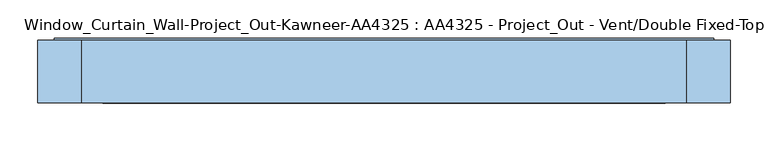
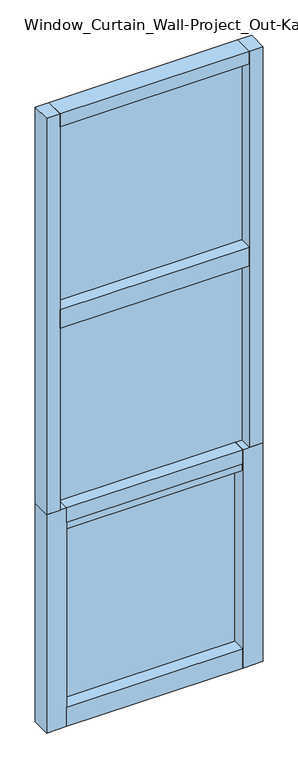
"""IFC4 building model written with IfcOpenShell, lengths in millimetres: window geometry, Window_Curtain_Wall-Project_Out-Kawneer-AA4325 : AA4325 - Project_Out - Vent/Double Fixed-Top."""

import ifcopenshell
import ifcopenshell.guid

model = None  # the IFC model being written
_history = None  # IfcOwnerHistory: only IFC2X3 demands one
_inside = {}  # id of a spatial element -> (the spatial element, [elements in it])
_under = {}  # id of a project, library or spatial element -> (it, [spatial elements below it])
_declared = {}  # id of a project -> (the project, [libraries it declares])
_typed = {}  # id of a type object -> (the type object, [elements of that type])
_made_of = {}  # id of a material, layer set ... -> (it, [elements and type objects made of it])


def new_model(schema):
    """Start an empty IFC model of exactly this schema.

    Asked for "IFC4X3", IfcOpenShell would pick the latest addendum, in which some entities
    have other attributes; the version numbers below select the first issue.
    IFC2X3 requires an IfcOwnerHistory on every rooted entity: one is made here for all.
    """
    global model, _history
    if schema == "IFC4X3":
        model = ifcopenshell.file(schema_version=(4, 3, 0, 0))
    else:
        model = ifcopenshell.file(schema=schema)
    _inside.clear()
    _under.clear()
    _declared.clear()
    _typed.clear()
    _made_of.clear()
    _history = None
    if model.schema == "IFC2X3":
        org = make("IfcOrganization", Name="unknown")
        user = make(
            "IfcPersonAndOrganization",
            ThePerson=make("IfcPerson", FamilyName="unknown"),
            TheOrganization=org,
        )
        app = make(
            "IfcApplication",
            ApplicationDeveloper=org,
            Version="unknown",
            ApplicationFullName="unknown",
            ApplicationIdentifier="unknown",
        )
        _history = make(
            "IfcOwnerHistory",
            OwningUser=user,
            OwningApplication=app,
            ChangeAction="ADDED",
            CreationDate=0,
        )
    return model


def make(cls, **values):
    """One entity of the class cls with the attributes given. An attribute that is None is left unset."""
    return model.create_entity(
        cls, **{name: value for name, value in values.items() if value is not None}
    )


def rooted(cls, **values):
    """An entity with a GlobalId (a new one), such as an element, a storey or a relation."""
    return make(cls, GlobalId=ifcopenshell.guid.new(), OwnerHistory=_history, **values)


def si_unit(unit_type, name, prefix=None):
    """IfcSIUnit, for example si_unit("LENGTHUNIT", "METRE", prefix="MILLI")."""
    return make("IfcSIUnit", UnitType=unit_type, Prefix=prefix, Name=name)


def assignment(units):
    """IfcUnitAssignment: the units of a project."""
    return None if units is None else make("IfcUnitAssignment", Units=units)


def point(xyz):
    """IfcCartesianPoint."""
    return None if xyz is None else make("IfcCartesianPoint", Coordinates=xyz)


def direction(xyz):
    """IfcDirection."""
    return None if xyz is None else make("IfcDirection", DirectionRatios=xyz)


def frame(location, z_axis=None, x_axis=None):
    """IfcAxis2Placement3D, a coordinate frame: its origin and axes. An axis left out is left unset."""
    return make(
        "IfcAxis2Placement3D",
        Location=point(location),
        Axis=direction(z_axis),
        RefDirection=direction(x_axis),
    )


def origin():
    """The frame at (0, 0, 0) with its axes left unset."""
    return frame((0.0, 0.0, 0.0))


def origin_with_axes():
    """The frame at (0, 0, 0) with the z axis (0, 0, 1) and the x axis (1, 0, 0) written out."""
    return frame((0.0, 0.0, 0.0), z_axis=(0.0, 0.0, 1.0), x_axis=(1.0, 0.0, 0.0))


def place(relative_to, where):
    """IfcLocalPlacement: puts the frame where relative to a parent placement (None: the world)."""
    return make(
        "IfcLocalPlacement", PlacementRelTo=relative_to, RelativePlacement=where
    )


def context(
    kind, dimensions, precision=None, world=None, true_north=None, identifier=None
):
    """IfcGeometricRepresentationContext, for example the 3D "Model" context."""
    return make(
        "IfcGeometricRepresentationContext",
        ContextIdentifier=identifier,
        ContextType=kind,
        CoordinateSpaceDimension=dimensions,
        Precision=precision,
        WorldCoordinateSystem=world,
        TrueNorth=true_north,
    )


def project(units=None, contexts=None):
    """IfcProject with its units and contexts."""
    return rooted(
        "IfcProject",
        Name="project",
        RepresentationContexts=contexts,
        UnitsInContext=assignment(units),
    )


def spatial(cls, under=None, at=None, **own):
    """A site, building, storey or space (cls), placed at a placement, below another one or the project."""
    s = rooted(cls, ObjectPlacement=at, **own)
    if under is not None:
        _under.setdefault(under.id(), (under, []))[1].append(s)
    return s


def polyline(points):
    """IfcPolyline through the points."""
    return make("IfcPolyline", Points=[point(p) for p in points])


def outline(outer, holes=None, kind="AREA"):
    """IfcArbitraryClosedProfileDef: a profile drawn as a closed curve; with holes, ...WithVoids."""
    if holes is None:
        return make("IfcArbitraryClosedProfileDef", ProfileType=kind, OuterCurve=outer)
    return make(
        "IfcArbitraryProfileDefWithVoids",
        ProfileType=kind,
        OuterCurve=outer,
        InnerCurves=holes,
    )


def extrude(swept, where, along, depth):
    """IfcExtrudedAreaSolid: the profile swept, set in the frame where, extruded along a direction by depth."""
    return make(
        "IfcExtrudedAreaSolid",
        SweptArea=swept,
        Position=where,
        ExtrudedDirection=direction(along),
        Depth=depth,
    )


def shape(context_of_items, identifier, shape_type, items):
    """IfcShapeRepresentation: the items that make up one representation, for example the "Body"."""
    return make(
        "IfcShapeRepresentation",
        ContextOfItems=context_of_items,
        RepresentationIdentifier=identifier,
        RepresentationType=shape_type,
        Items=items,
    )


def source(mapping_origin, context_of_items, identifier, shape_type, items):
    """IfcRepresentationMap: a shape defined once, which mapped items show again and again."""
    return make(
        "IfcRepresentationMap",
        MappingOrigin=mapping_origin,
        MappedRepresentation=shape(context_of_items, identifier, shape_type, items),
    )


def transform(
    local_origin,
    x_axis=None,
    y_axis=None,
    z_axis=None,
    scale=None,
    scale2=None,
    scale3=None,
    uniform=True,
):
    """IfcCartesianTransformationOperator3D, or its non-uniform kind. x_axis, y_axis, z_axis: its Axis1, 2, 3."""
    if uniform:
        return make(
            "IfcCartesianTransformationOperator3D",
            Axis1=direction(x_axis),
            Axis2=direction(y_axis),
            LocalOrigin=point(local_origin),
            Scale=scale,
            Axis3=direction(z_axis),
        )
    return make(
        "IfcCartesianTransformationOperator3DnonUniform",
        Axis1=direction(x_axis),
        Axis2=direction(y_axis),
        LocalOrigin=point(local_origin),
        Scale=scale,
        Axis3=direction(z_axis),
        Scale2=scale2,
        Scale3=scale3,
    )


def mapped(mapping_source, mapping_target):
    """IfcMappedItem: shows the shape of a source again, moved by a transform."""
    return make(
        "IfcMappedItem", MappingSource=mapping_source, MappingTarget=mapping_target
    )


def made_of(thing, what):
    """Note that an element or type object is made of a material, layer set ...; save() writes the relation."""
    if what is not None:
        _made_of.setdefault(what.id(), (what, []))[1].append(thing)
    return thing


def element(
    cls,
    number,
    at=None,
    inside=None,
    cuts=None,
    type_object=None,
    material=None,
    context=None,
    identifier="Body",
    shape_type=None,
    held_by="IfcProductDefinitionShape",
    body=None,
    shapes=None,
    **own,
):
    """One element of the class cls, such as IfcWall. Its Tag is "e" and its number.

    at: its placement. inside: the storey or other place that contains it. cuts: it is an
    opening in that element (IfcRelVoidsElement). A single representation is given by context,
    identifier, shape_type and body (its items); several are given by shapes. held_by: the class
    of the entity that holds the representations. save() writes the other relations.
    """
    e = rooted(cls, Tag="e%d" % number, ObjectPlacement=at, **own)
    if body is not None:
        shapes = [shape(context, identifier, shape_type, body)]
    if shapes is not None:
        e.Representation = make(held_by, Representations=shapes)
    if inside is not None:
        _inside.setdefault(inside.id(), (inside, []))[1].append(e)
    if cuts is not None:
        rooted(
            "IfcRelVoidsElement", RelatingBuildingElement=cuts, RelatedOpeningElement=e
        )
    if type_object is not None:
        _typed.setdefault(type_object.id(), (type_object, []))[1].append(e)
    return made_of(e, material)


def aggregate(whole, parts):
    """IfcRelAggregates: a whole, such as a stair, and the parts it consists of."""
    return rooted("IfcRelAggregates", RelatingObject=whole, RelatedObjects=parts)


def save(model, path):
    """Write the relations noted so far, then the file.

    IfcRelAggregates (storeys below a building ...), IfcRelContainedInSpatialStructure (elements
    in a storey), IfcRelDefinesByType, IfcRelAssociatesMaterial and IfcRelDeclares: one each for
    every whole, place, type object, material and project.
    """
    for whole, parts in _under.values():
        aggregate(whole, parts)
    for where, things in _inside.values():
        rooted(
            "IfcRelContainedInSpatialStructure",
            RelatedElements=things,
            RelatingStructure=where,
        )
    for kind, things in _typed.values():
        rooted("IfcRelDefinesByType", RelatedObjects=things, RelatingType=kind)
    for what, things in _made_of.values():
        rooted("IfcRelAssociatesMaterial", RelatedObjects=things, RelatingMaterial=what)
    for by, libraries in _declared.values():
        rooted("IfcRelDeclares", RelatingContext=by, RelatedDefinitions=libraries)
    model.write(path)


def window_curtain_wall_project_out_kawneer_aa4325_aa4325_b02c6880(model_context):
    return source(origin(), model_context, "Body", "SweptSolid", [
        extrude(outline(polyline([(457.2, 41.275), (457.2, -41.275), (400.05, -41.275), (400.05, 41.275), (457.2, 41.275)])), frame((0.0, 0.0, 974.328125), z_axis=(0.0, 0.0, 1.0), x_axis=(1.0, 0.0, 0.0)), (0.0, 0.0, 1.0), 1768.475),
        extrude(outline(polyline([(-457.2, 41.275), (-400.05, 41.275), (-400.05, -41.275), (-457.2, -41.275), (-457.2, 41.275)])), frame((0.0, 0.0, 974.328125), z_axis=(0.0, 0.0, 1.0), x_axis=(1.0, 0.0, 0.0)), (0.0, 0.0, 1.0), 1768.475),
        extrude(outline(polyline([(400.05, 41.275), (400.05, -41.275), (-400.05, -41.275), (-400.05, 41.275), (400.05, 41.275)])), frame((0.0, 0.0, 1785.540625), z_axis=(0.0, 0.0, 1.0), x_axis=(1.0, 0.0, 0.0)), (0.0, 0.0, 1.0), 82.55),
        extrude(outline(polyline([(371.475, 41.275), (371.475, -41.275), (-371.475, -41.275), (-371.475, 41.275), (371.475, 41.275)])), frame((0.0, 0.0, 910.828125), z_axis=(0.0, 0.0, 1.0), x_axis=(1.0, 0.0, 0.0)), (0.0, 0.0, 1.0), 63.5),
        extrude(outline(polyline([(21.43125, -435.76875), (21.43125, 435.76875), (939.403125, 435.76875), (939.403125, -435.76875), (21.43125, -435.76875)]), holes=[polyline([(879.078125, -375.44375), (879.078125, 375.44375), (81.75625, 375.44375), (81.75625, -375.44375), (879.078125, -375.44375)])]), frame((0.0, -38.1, 0.0), z_axis=(0.0, 1.0, 0.0), x_axis=(0.0, 0.0, 1.0)), (0.0, 0.0, 1.0), 82.55),
        extrude(outline(polyline([(-400.05, 12.7), (-400.05, 38.1), (400.05, 38.1), (400.05, 12.7), (-400.05, 12.7)])), frame((0.0, 0.0, 974.328125), z_axis=(0.0, 0.0, 1.0), x_axis=(1.0, 0.0, 0.0)), (0.0, 0.0, 1.0), 1711.325),
        extrude(outline(polyline([(-375.44375, 15.875), (-375.44375, 41.275), (375.44375, 41.275), (375.44375, 15.875), (-375.44375, 15.875)])), frame((0.0, 0.0, 81.75625), z_axis=(0.0, 0.0, 1.0), x_axis=(1.0, 0.0, 0.0)), (0.0, 0.0, 1.0), 797.321875),
        extrude(outline(polyline([(400.05, 41.275), (400.05, -41.275), (-400.05, -41.275), (-400.05, 41.275), (400.05, 41.275)])), frame((0.0, 0.0, 2685.653125), z_axis=(0.0, 0.0, 1.0), x_axis=(1.0, 0.0, 0.0)), (0.0, 0.0, 1.0), 57.15),
        extrude(outline(polyline([(371.475, 41.275), (371.475, -41.275), (-371.475, -41.275), (-371.475, 41.275), (371.475, 41.275)])), origin_with_axes(), (0.0, 0.0, 1.0), 85.725),
        extrude(outline(polyline([(-457.2, -41.275), (-457.2, 41.275), (-371.475, 41.275), (-371.475, -41.275), (-457.2, -41.275)])), origin_with_axes(), (0.0, 0.0, 1.0), 974.328125),
        extrude(outline(polyline([(457.2, -41.275), (371.475, -41.275), (371.475, 41.275), (457.2, 41.275), (457.2, -41.275)])), origin_with_axes(), (0.0, 0.0, 1.0), 974.328125),
    ])


if __name__ == "__main__":
    model = new_model("IFC4")
    model_context = context("Model", 3, world=origin())
    ifc_project = project(units=[si_unit("LENGTHUNIT", "METRE", prefix="MILLI")], contexts=[model_context])
    site = spatial("IfcSite", under=ifc_project)
    building = spatial("IfcBuilding", under=site)
    placement = place(None, origin())
    window_curtain_wall_project_out_kawneer_aa4325_aa4325_shape = window_curtain_wall_project_out_kawneer_aa4325_aa4325_b02c6880(model_context)
    element("IfcWindow", 1, ObjectType="Window_Curtain_Wall-Project_Out-Kawneer-AA4325 : AA4325 - Project_Out - Vent/Double Fixed-Top", at=placement, inside=building, context=model_context, shape_type="MappedRepresentation", body=[
        mapped(window_curtain_wall_project_out_kawneer_aa4325_aa4325_shape, transform((0.0, 0.0, 0.0), x_axis=(1.0, 0.0, 0.0), y_axis=(0.0, 1.0, 0.0), z_axis=(0.0, 0.0, 1.0))),
    ])
    save(model, "model.ifc")
